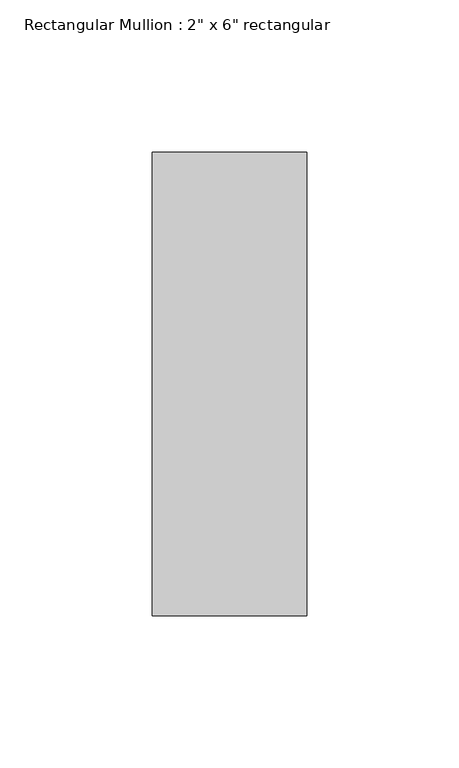
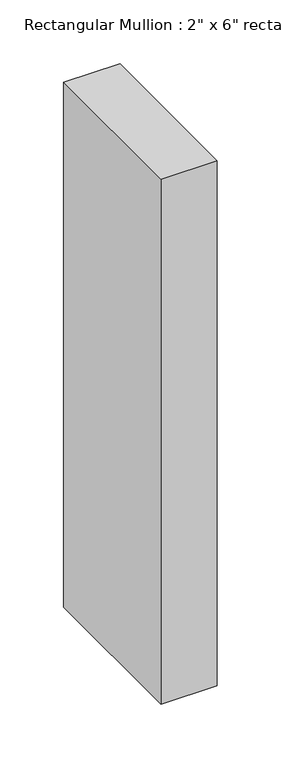
"""IFC4 building model written with IfcOpenShell, lengths in millimetres: member geometry."""

from ifc_helpers import new_model, si_unit, frame, origin, place, context, project, spatial, polyline, outline, extrude, source, transform, mapped, element, save


def member_6c72b6fd(model_context):
    return source(origin(), model_context, "Body", "SweptSolid", [
        extrude(outline(polyline([(0.0, 76.2), (0.0, -76.2), (-50.8, -76.2), (-50.8, 76.2), (0.0, 76.2)])), frame((0.0, 0.0, -501.65), z_axis=(0.0, 0.0, 1.0), x_axis=(1.0, 0.0, 0.0)), (0.0, 0.0, 1.0), 501.65),
    ])


if __name__ == "__main__":
    model = new_model("IFC4")
    model_context = context("Model", 3, world=origin())
    ifc_project = project(units=[si_unit("LENGTHUNIT", "METRE", prefix="MILLI")], contexts=[model_context])
    site = spatial("IfcSite", under=ifc_project)
    building = spatial("IfcBuilding", under=site)
    placement = place(None, origin())
    member_shape = member_6c72b6fd(model_context)
    element("IfcMember", 1, ObjectType="Rectangular Mullion : 2\" x 6\" rectangular", at=placement, inside=building, context=model_context, shape_type="MappedRepresentation", body=[
        mapped(member_shape, transform((0.0, 0.0, 0.0), x_axis=(1.0, 0.0, 0.0), y_axis=(0.0, 1.0, 0.0), z_axis=(0.0, 0.0, 1.0))),
    ])
    save(model, "model.ifc")
